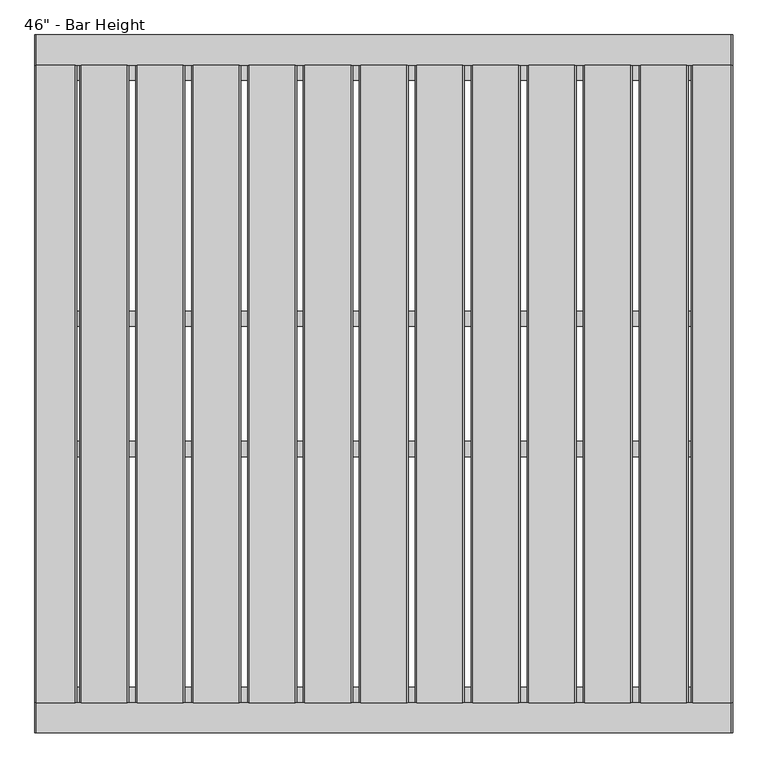
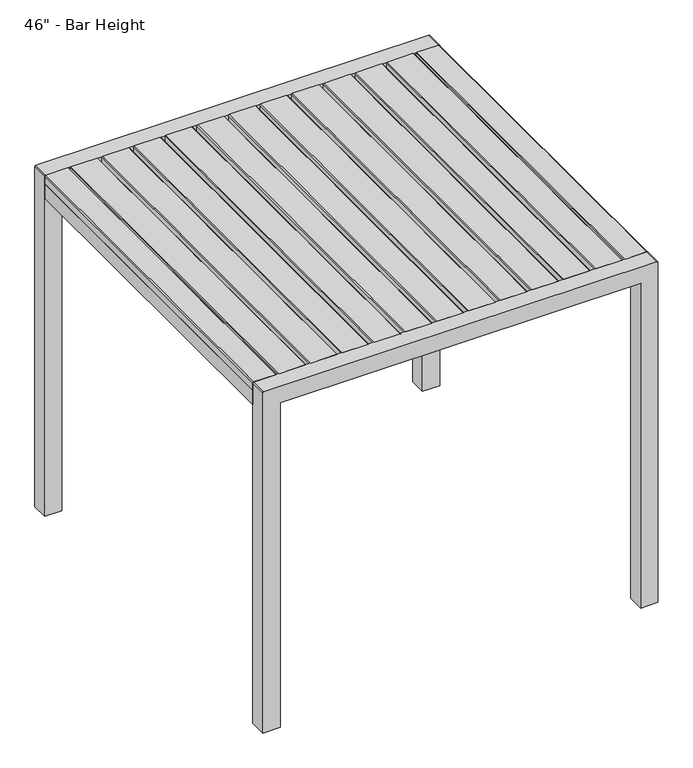
"""IFC4 building model written with IfcOpenShell, lengths in millimetres: furniture geometry."""

from ifc_helpers import new_model, si_unit, point, frame, frame_2d, origin, place, context, project, spatial, polyline, circle_curve, trimmed, segment, composite_curve, outline, extrude, source, transform, mapped, element, save


def furniture_23807649(model_context):
    return source(origin(), model_context, "Body", "SweptSolid", [
        extrude(outline(polyline([(1041.4, 415.6471875), (1064.2767182, 415.6471875), (1066.8, 413.1239373), (1066.8, 336.0173127), (1064.2767182, 333.4940625), (1041.4, 333.4940625), (1041.4, 415.6471875)])), frame((0.0, -537.4299408, 0.0), z_axis=(0.0, 1.0, 0.0), x_axis=(0.0, 0.0, 1.0)), (0.0, 0.0, 1.0), 1066.8),
        extrude(outline(polyline([(1041.4, 322.0045313), (1064.2767182, 322.0045313), (1066.8, 319.4812811), (1066.8, 242.3746564), (1064.2767182, 239.8514063), (1041.4, 239.8514063), (1041.4, 322.0045313)])), frame((0.0, -537.4299408, 0.0), z_axis=(0.0, 1.0, 0.0), x_axis=(0.0, 0.0, 1.0)), (0.0, 0.0, 1.0), 1066.8),
        extrude(outline(polyline([(1041.4, 228.361875), (1064.2767182, 228.361875), (1066.8, 225.8386248), (1066.8, 148.7320002), (1064.2767182, 146.20875), (1041.4, 146.20875), (1041.4, 228.361875)])), frame((0.0, -537.4299408, 0.0), z_axis=(0.0, 1.0, 0.0), x_axis=(0.0, 0.0, 1.0)), (0.0, 0.0, 1.0), 1066.8),
        extrude(outline(polyline([(1041.4, 134.7192188), (1064.2767182, 134.7192188), (1066.8, 132.1959686), (1066.8, 55.0893439), (1064.2767182, 52.5660938), (1041.4, 52.5660938), (1041.4, 134.7192188)])), frame((0.0, -537.4299408, 0.0), z_axis=(0.0, 1.0, 0.0), x_axis=(0.0, 0.0, 1.0)), (0.0, 0.0, 1.0), 1066.8),
        extrude(outline(polyline([(1041.4, 41.0765625), (1064.2767182, 41.0765625), (1066.8, 38.5533123), (1066.8, -38.5533123), (1064.2767182, -41.0765625), (1041.4, -41.0765625), (1041.4, 41.0765625)])), frame((0.0, -537.4299408, 0.0), z_axis=(0.0, 1.0, 0.0), x_axis=(0.0, 0.0, 1.0)), (0.0, 0.0, 1.0), 1066.8),
        extrude(outline(polyline([(1041.4, -52.5660937), (1064.2767182, -52.5660937), (1066.8, -55.0893439), (1066.8, -132.1959686), (1064.2767182, -134.7192187), (1041.4, -134.7192187), (1041.4, -52.5660937)])), frame((0.0, -537.4299408, 0.0), z_axis=(0.0, 1.0, 0.0), x_axis=(0.0, 0.0, 1.0)), (0.0, 0.0, 1.0), 1066.8),
        extrude(outline(polyline([(1041.4, -146.20875), (1064.2767182, -146.20875), (1066.8, -148.7320002), (1066.8, -225.8386248), (1064.2767182, -228.361875), (1041.4, -228.361875), (1041.4, -146.20875)])), frame((0.0, -537.4299408, 0.0), z_axis=(0.0, 1.0, 0.0), x_axis=(0.0, 0.0, 1.0)), (0.0, 0.0, 1.0), 1066.8),
        extrude(outline(polyline([(1041.4, -239.8514062), (1064.2767182, -239.8514062), (1066.8, -242.3746564), (1066.8, -319.4812811), (1064.2767182, -322.0045312), (1041.4, -322.0045312), (1041.4, -239.8514062)])), frame((0.0, -537.4299408, 0.0), z_axis=(0.0, 1.0, 0.0), x_axis=(0.0, 0.0, 1.0)), (0.0, 0.0, 1.0), 1066.8),
        extrude(outline(polyline([(1041.4, -333.4940625), (1064.2767182, -333.4940625), (1066.8, -336.0173127), (1066.8, -413.1239373), (1064.2767182, -415.6471875), (1041.4, -415.6471875), (1041.4, -333.4940625)])), frame((0.0, -537.4299408, 0.0), z_axis=(0.0, 1.0, 0.0), x_axis=(0.0, 0.0, 1.0)), (0.0, 0.0, 1.0), 1066.8),
        extrude(outline(polyline([(1041.4, 509.2898438), (1064.2767182, 509.2898438), (1066.8, 506.7665936), (1066.8, 429.6599689), (1064.2767182, 427.1367188), (1041.4, 427.1367188), (1041.4, 509.2898438)])), frame((0.0, -537.4299408, 0.0), z_axis=(0.0, 1.0, 0.0), x_axis=(0.0, 0.0, 1.0)), (0.0, 0.0, 1.0), 1066.8),
        extrude(outline(polyline([(1041.4, -427.1367187), (1064.2767182, -427.1367187), (1066.8, -429.6599689), (1066.8, -506.7665936), (1064.2767182, -509.2898437), (1041.4, -509.2898437), (1041.4, -427.1367187)])), frame((0.0, -537.4299408, 0.0), z_axis=(0.0, 1.0, 0.0), x_axis=(0.0, 0.0, 1.0)), (0.0, 0.0, 1.0), 1066.8),
        extrude(outline(polyline([(1041.4, -584.2), (1041.4, -514.3499879), (1064.2596996, -514.3499879), (1066.8, -516.8902519), (1066.8, -581.6597481), (1064.2597117, -584.2), (1041.4, -584.2)])), frame((0.0, -537.4299408, 0.0), z_axis=(0.0, 1.0, 0.0), x_axis=(0.0, 0.0, 1.0)), (0.0, 0.0, 1.0), 1066.8),
        extrude(outline(polyline([(1041.4, 584.2), (1064.2597117, 584.2), (1066.8, 581.6597481), (1066.8, 516.8902519), (1064.2596996, 514.3499879), (1041.4, 514.3499879), (1041.4, 584.2)])), frame((0.0, -537.4299408, 0.0), z_axis=(0.0, 1.0, 0.0), x_axis=(0.0, 0.0, 1.0)), (0.0, 0.0, 1.0), 1066.8),
        extrude(outline(polyline([(533.3999879, -100.3382701), (533.3999879, -125.7382731), (-533.3999879, -125.7382731), (-533.3999879, -100.3382701), (533.3999879, -100.3382701)])), frame((0.0, 0.0, 1016.0), z_axis=(0.0, 0.0, 1.0), x_axis=(1.0, 0.0, 0.0)), (0.0, 0.0, 1.0), 25.4),
        extrude(outline(polyline([(533.3999879, -512.0299347), (533.3999879, -537.4299408), (-533.3999879, -537.4299408), (-533.3999879, -512.0299347), (533.3999879, -512.0299347)])), frame((0.0, 0.0, 1016.0), z_axis=(0.0, 0.0, 1.0), x_axis=(1.0, 0.0, 0.0)), (0.0, 0.0, 1.0), 25.4),
        extrude(outline(polyline([(533.3999879, 529.3700592), (533.3999879, 503.9700532), (-533.3999879, 503.9700532), (-533.3999879, 529.3700592), (533.3999879, 529.3700592)])), frame((0.0, 0.0, 1016.0), z_axis=(0.0, 0.0, 1.0), x_axis=(1.0, 0.0, 0.0)), (0.0, 0.0, 1.0), 25.4),
        extrude(outline(polyline([(533.3999879, 117.6783915), (533.3999879, 92.2783885), (-533.3999879, 92.2783885), (-533.3999879, 117.6783915), (533.3999879, 117.6783915)])), frame((0.0, 0.0, 1016.0), z_axis=(0.0, 0.0, 1.0), x_axis=(1.0, 0.0, 0.0)), (0.0, 0.0, 1.0), 25.4),
        extrude(outline(polyline([(-533.3999879, -537.4299408), (-584.2, -537.4299408), (-584.2, 529.3700592), (-533.3999879, 529.3700592), (-533.3999879, -537.4299408)])), frame((0.0, 0.0, 995.934001), z_axis=(0.0, 0.0, 1.0), x_axis=(1.0, 0.0, 0.0)), (0.0, 0.0, 1.0), 45.465999),
        extrude(outline(polyline([(584.2, -537.4299408), (533.3999879, -537.4299408), (533.3999879, 529.3700592), (584.2, 529.3700592), (584.2, -537.4299408)])), frame((0.0, 0.0, 995.934001), z_axis=(0.0, 0.0, 1.0), x_axis=(1.0, 0.0, 0.0)), (0.0, 0.0, 1.0), 45.465999),
        extrude(outline(composite_curve([segment(polyline([(0.0, -533.3999879), (1016.0, -533.3999879), (1016.0, 533.3999879), (0.0, 533.3999879), (0.0, 584.2), (1064.2203125, 584.2)]), True, "CONTINUOUS"), segment(trimmed(circle_curve(frame_2d((1064.2203125, 581.6203125)), 2.5796875), [point((1064.2203125, 584.2))], [point((1066.8, 581.6203125))], False, "CARTESIAN"), True, "CONTINUOUS"), segment(polyline([(1066.8, 581.6203125), (1066.8, -581.6203125)]), True, "CONTINUOUS"), segment(trimmed(circle_curve(frame_2d((1064.2203125, -581.6203125)), 2.5796875), [point((1066.8, -581.6203125))], [point((1064.2203125, -584.2))], False, "CARTESIAN"), True, "CONTINUOUS"), segment(polyline([(1064.2203125, -584.2), (0.0, -584.2), (0.0, -533.3999879)]), True, "CONTINUOUS")], self_intersect=False)), frame((0.0, 529.3700592, 0.0), z_axis=(0.0, 1.0, 0.0), x_axis=(0.0, 0.0, 1.0)), (0.0, 0.0, 1.0), 50.8),
        extrude(outline(composite_curve([segment(polyline([(0.0, -533.3999879), (1016.0, -533.3999879), (1016.0, 533.3999879), (0.0, 533.3999879), (0.0, 584.2), (1064.2203125, 584.2)]), True, "CONTINUOUS"), segment(trimmed(circle_curve(frame_2d((1064.2203125, 581.6203125)), 2.5796875), [point((1064.2203125, 584.2))], [point((1066.8, 581.6203125))], False, "CARTESIAN"), True, "CONTINUOUS"), segment(polyline([(1066.8, 581.6203125), (1066.8, -581.6203125)]), True, "CONTINUOUS"), segment(trimmed(circle_curve(frame_2d((1064.2203125, -581.6203125)), 2.5796875), [point((1066.8, -581.6203125))], [point((1064.2203125, -584.2))], False, "CARTESIAN"), True, "CONTINUOUS"), segment(polyline([(1064.2203125, -584.2), (0.0, -584.2), (0.0, -533.3999879)]), True, "CONTINUOUS")], self_intersect=False)), frame((0.0, -588.2299408, 0.0), z_axis=(0.0, 1.0, 0.0), x_axis=(0.0, 0.0, 1.0)), (0.0, 0.0, 1.0), 50.8),
    ])


if __name__ == "__main__":
    model = new_model("IFC4")
    model_context = context("Model", 3, world=origin())
    ifc_project = project(units=[si_unit("LENGTHUNIT", "METRE", prefix="MILLI")], contexts=[model_context])
    site = spatial("IfcSite", under=ifc_project)
    building = spatial("IfcBuilding", under=site)
    placement = place(None, origin())
    furniture_shape = furniture_23807649(model_context)
    element("IfcFurniture", 1, ObjectType="46\" - Bar Height", at=placement, inside=building, context=model_context, shape_type="MappedRepresentation", body=[
        mapped(furniture_shape, transform((0.0, 0.0, 0.0), x_axis=(1.0, 0.0, 0.0), y_axis=(0.0, 1.0, 0.0), z_axis=(0.0, 0.0, 1.0))),
    ])
    save(model, "model.ifc")
